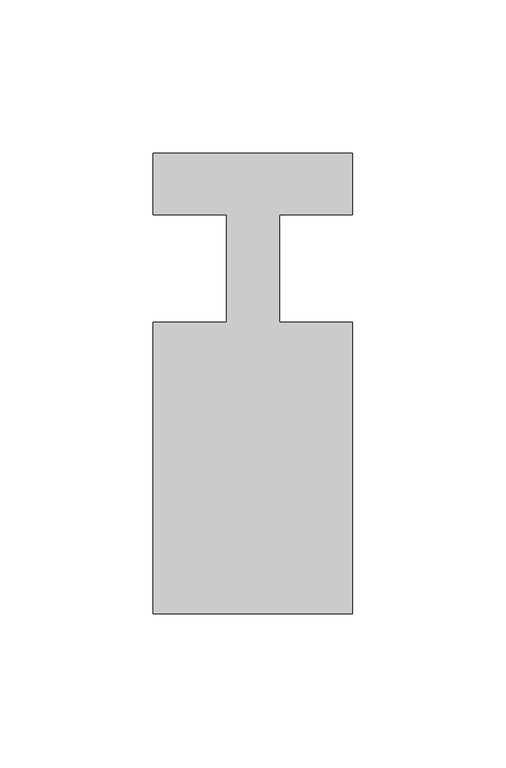
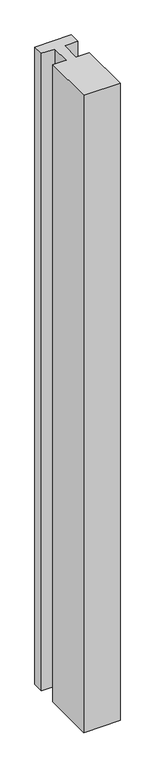
"""IFC4 building model written with IfcOpenShell, lengths in millimetres: member geometry."""

from ifc_helpers import new_model, si_unit, frame, origin, place, context, project, spatial, polyline, outline, extrude, source, transform, mapped, element, save


def member_e81aa8a0(model_context):
    return source(origin(), model_context, "Body", "SweptSolid", [
        extrude(outline(polyline([(-32.5, 37.0), (32.5, 37.0), (32.5, 17.0), (8.6875, 17.0), (8.6875, -18.0), (32.5, -18.0), (32.5, -113.0), (-32.5, -113.0), (-32.5, -18.0), (-8.6875, -18.0), (-8.6875, 17.0), (-32.5, 17.0), (-32.5, 37.0)])), frame((0.0, 0.0, -1200.0), z_axis=(0.0, 0.0, 1.0), x_axis=(1.0, 0.0, 0.0)), (0.0, 0.0, 1.0), 1200.0),
    ])


if __name__ == "__main__":
    model = new_model("IFC4")
    model_context = context("Model", 3, world=origin())
    ifc_project = project(units=[si_unit("LENGTHUNIT", "METRE", prefix="MILLI")], contexts=[model_context])
    site = spatial("IfcSite", under=ifc_project)
    building = spatial("IfcBuilding", under=site)
    placement = place(None, origin())
    member_shape = member_e81aa8a0(model_context)
    element("IfcMember", 1, at=placement, inside=building, context=model_context, shape_type="MappedRepresentation", body=[
        mapped(member_shape, transform((0.0, 0.0, 0.0), x_axis=(1.0, 0.0, 0.0), y_axis=(0.0, 1.0, 0.0), z_axis=(0.0, 0.0, 1.0))),
    ])
    save(model, "model.ifc")
